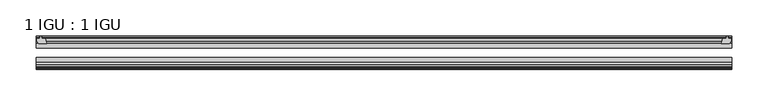
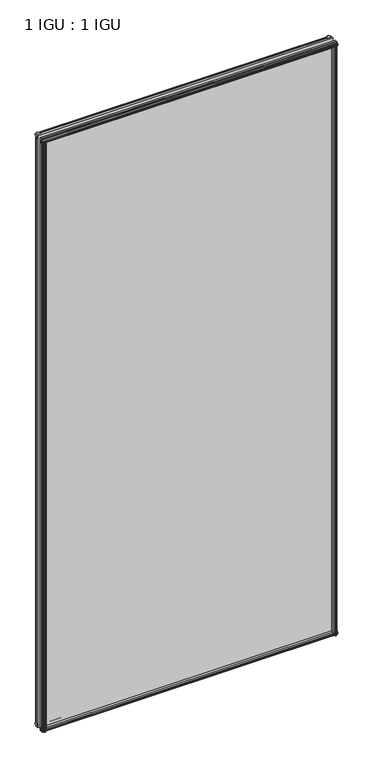
"""IFC4 building model written with IfcOpenShell, lengths in millimetres: plate geometry, 1 IGU : 1 IGU."""

from ifc_helpers import new_model, si_unit, frame, origin, place, context, project, spatial, polyline, outline, extrude, source, transform, mapped, element, save


def plate_1_igu_1_igu_76344200(model_context):
    return source(origin(), model_context, "Body", "SweptSolid", [
        extrude(outline(polyline([(468.2072587, -10.4746158), (470.3847878, -9.7670938), (472.5623168, -10.4746158), (472.5623168, -11.27583), (471.1467878, -10.8158968), (471.5277878, -13.1960938), (475.9727878, -13.1960938), (475.9727878, -16.1424938), (473.1384456, -19.5460938), (462.3170697, -19.5460938), (464.0347878, -13.1960938), (469.2417878, -13.1960938), (469.6227878, -10.8158968), (468.2072587, -11.27583), (468.2072587, -10.4746158)])), frame((0.0, 0.0, -12.4587), z_axis=(0.0, 0.0, 1.0), x_axis=(1.0, 0.0, 0.0)), (0.0, 0.0, 1.0), 2018.8174),
        extrude(outline(polyline([(-470.3847878, -9.7670937), (-468.2072587, -10.4746158), (-468.2072587, -11.27583), (-469.6227878, -10.8158968), (-469.2417878, -13.1960937), (-464.0347878, -13.1960937), (-462.3170697, -19.5460937), (-473.1384456, -19.5460937), (-475.9727878, -16.1424937), (-475.9727878, -13.1960937), (-471.5277878, -13.1960937), (-471.1467878, -10.8158968), (-472.5623168, -11.27583), (-472.5623168, -10.4746158), (-470.3847878, -9.7670937)])), frame((0.0, 0.0, -12.4587), z_axis=(0.0, 0.0, 1.0), x_axis=(1.0, 0.0, 0.0)), (0.0, 0.0, 1.0), 2018.8174),
        extrude(outline(polyline([(461.7996717, -44.9460938), (472.6210476, -44.9460938), (475.4553898, -48.3496938), (475.4553898, -51.2960938), (471.0103898, -51.2960938), (470.6293898, -53.6762907), (472.0449188, -53.2163575), (472.0449188, -54.0175717), (469.8673898, -54.7250938), (467.6898607, -54.0175717), (467.6898607, -53.2163575), (469.1053898, -53.6762907), (468.7243898, -51.2960938), (463.5173898, -51.2960938), (461.7996717, -44.9460938)])), frame((0.0, 0.0, -12.4587), z_axis=(0.0, 0.0, 1.0), x_axis=(1.0, 0.0, 0.0)), (0.0, 0.0, 1.0), 2006.1174),
        extrude(outline(polyline([(-461.7963697, -44.9460937), (-463.5140878, -51.2960937), (-468.7210878, -51.2960937), (-469.1020878, -53.6762907), (-467.6865587, -53.2163575), (-467.6865587, -54.0175717), (-469.8640878, -54.7250937), (-472.0416168, -54.0175717), (-472.0416168, -53.2163575), (-470.6260878, -53.6762907), (-471.0070878, -51.2960937), (-475.4520878, -51.2960937), (-475.4520878, -48.3496937), (-472.6177456, -44.9460937), (-461.7963697, -44.9460937)])), frame((0.0, 0.0, -12.4587), z_axis=(0.0, 0.0, 1.0), x_axis=(1.0, 0.0, 0.0)), (0.0, 0.0, 1.0), 2006.1174),
        extrude(outline(polyline([(-10.4746158, -4.6931709), (-9.7670937, -6.8707), (-10.4746158, -9.0482291), (-11.27583, -9.0482291), (-10.8158968, -7.6327), (-13.1960937, -8.0137), (-13.1960937, -12.4587), (-16.1424937, -12.4587), (-19.5460937, -9.6243578), (-19.5460937, 1.1970181), (-13.1960937, -0.5207), (-13.1960937, -5.7277), (-10.8158968, -6.1087), (-11.27583, -4.6931709), (-10.4746158, -4.6931709)])), frame((-476.2140878, 0.0, 0.0), z_axis=(1.0, 0.0, 0.0), x_axis=(0.0, 1.0, 0.0)), (0.0, 0.0, 1.0), 952.4281756),
        extrude(outline(polyline([(-44.9460937, 1.7177181), (-44.9460937, -9.1036578), (-48.3496937, -11.938), (-51.2960937, -11.938), (-51.2960937, -7.493), (-53.6762907, -7.112), (-53.2163575, -8.5275291), (-54.0175717, -8.5275291), (-54.7250937, -6.35), (-54.0175717, -4.1724709), (-53.2163575, -4.1724709), (-53.6762907, -5.588), (-51.2960937, -5.207), (-51.2960937, 0.0), (-44.9460937, 1.7177181)])), frame((-476.2140878, 0.0, 0.0), z_axis=(1.0, 0.0, 0.0), x_axis=(0.0, 1.0, 0.0)), (0.0, 0.0, 1.0), 952.4281756),
        extrude(outline(polyline([(-10.8158968, 2001.5327), (-11.27583, 2002.9482291), (-10.4746158, 2002.9482291), (-9.7670937, 2000.7707), (-10.4746158, 1998.5931709), (-11.27583, 1998.5931709), (-10.8158968, 2000.0087), (-13.1960937, 1999.6277), (-13.1960937, 1994.4207), (-19.5460938, 1992.7029819), (-19.5460938, 2003.5243578), (-16.1424937, 2006.3587), (-13.1960937, 2006.3587), (-13.1960937, 2001.9137), (-10.8158968, 2001.5327)])), frame((-476.2140878, 0.0, 0.0), z_axis=(1.0, 0.0, 0.0), x_axis=(0.0, 1.0, 0.0)), (0.0, 0.0, 1.0), 952.4281756),
        extrude(outline(polyline([(-51.2960937, 2005.838), (-48.3496937, 2005.838), (-44.9460938, 2003.0036578), (-44.9460938, 1992.1822819), (-51.2960937, 1993.9), (-51.2960937, 1999.107), (-53.6762907, 1999.488), (-53.2163575, 1998.0724709), (-54.0175717, 1998.0724709), (-54.7250937, 2000.25), (-54.0175717, 2002.4275291), (-53.2163575, 2002.4275291), (-53.6762907, 2001.012), (-51.2960937, 2001.393), (-51.2960937, 2005.838)])), frame((-476.2140878, 0.0, 0.0), z_axis=(1.0, 0.0, 0.0), x_axis=(0.0, 1.0, 0.0)), (0.0, 0.0, 1.0), 952.4281756),
        extrude(outline(polyline([(-476.2140878, -38.9186738), (476.2140878, -38.9186738), (476.2140878, -44.9460937), (-476.2140878, -44.9460937), (-476.2140878, -38.9186738)])), frame((0.0, 0.0, -12.7), z_axis=(0.0, 0.0, 1.0), x_axis=(1.0, 0.0, 0.0)), (0.0, 0.0, 1.0), 2019.3),
        extrude(outline(polyline([(-476.2140878, -19.5460937), (476.2140878, -19.5460937), (476.2140878, -25.8960938), (-476.2140878, -25.8960938), (-476.2140878, -19.5460937)])), frame((0.0, 0.0, -12.7), z_axis=(0.0, 0.0, 1.0), x_axis=(1.0, 0.0, 0.0)), (0.0, 0.0, 1.0), 2019.3),
    ])


if __name__ == "__main__":
    model = new_model("IFC4")
    model_context = context("Model", 3, world=origin())
    ifc_project = project(units=[si_unit("LENGTHUNIT", "METRE", prefix="MILLI")], contexts=[model_context])
    site = spatial("IfcSite", under=ifc_project)
    building = spatial("IfcBuilding", under=site)
    placement = place(None, origin())
    plate_1_igu_1_igu_shape = plate_1_igu_1_igu_76344200(model_context)
    element("IfcPlate", 1, ObjectType="1 IGU : 1 IGU", at=placement, inside=building, context=model_context, shape_type="MappedRepresentation", body=[
        mapped(plate_1_igu_1_igu_shape, transform((0.0, 0.0, 0.0), x_axis=(1.0, 0.0, 0.0), y_axis=(0.0, 1.0, 0.0), z_axis=(0.0, 0.0, 1.0))),
    ])
    save(model, "model.ifc")
